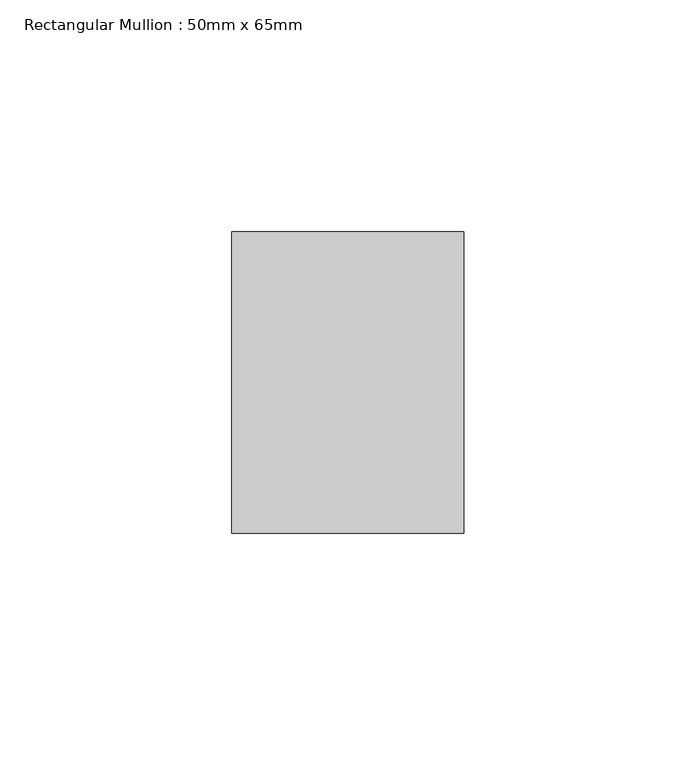
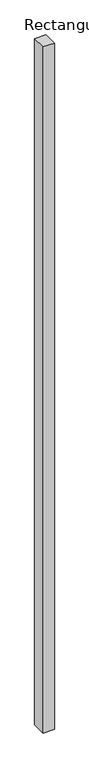
"""IFC4 building model written with IfcOpenShell, lengths in millimetres: member geometry, Rectangular Mullion : 50mm x 65mm."""

from ifc_helpers import new_model, si_unit, frame, origin, place, context, project, spatial, polyline, outline, extrude, source, transform, mapped, element, save


def rectangular_mullion_50mm_x_65mm_bcf01350(model_context):
    return source(origin(), model_context, "Body", "SweptSolid", [
        extrude(outline(polyline([(25.0, 32.5), (25.0, -32.5), (-25.0, -32.5), (-25.0, 32.5), (25.0, 32.5)])), frame((0.0, 0.0, -3235.2678463), z_axis=(0.0, 0.0, 1.0), x_axis=(1.0, 0.0, 0.0)), (0.0, 0.0, 1.0), 3235.2678463),
    ])


if __name__ == "__main__":
    model = new_model("IFC4")
    model_context = context("Model", 3, world=origin())
    ifc_project = project(units=[si_unit("LENGTHUNIT", "METRE", prefix="MILLI")], contexts=[model_context])
    site = spatial("IfcSite", under=ifc_project)
    building = spatial("IfcBuilding", under=site)
    placement = place(None, origin())
    rectangular_mullion_50mm_x_65mm_shape = rectangular_mullion_50mm_x_65mm_bcf01350(model_context)
    element("IfcMember", 1, ObjectType="Rectangular Mullion : 50mm x 65mm", at=placement, inside=building, context=model_context, shape_type="MappedRepresentation", body=[
        mapped(rectangular_mullion_50mm_x_65mm_shape, transform((0.0, 0.0, 0.0), x_axis=(1.0, 0.0, 0.0), y_axis=(0.0, 1.0, 0.0), z_axis=(0.0, 0.0, 1.0))),
    ])
    save(model, "model.ifc")
